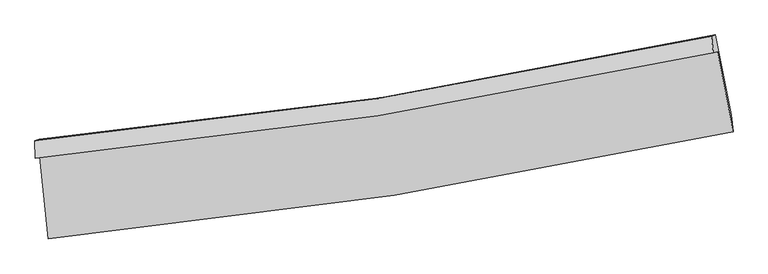
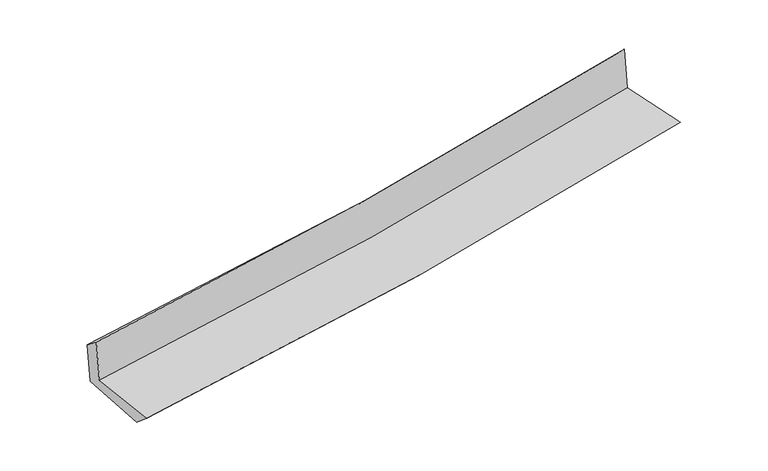
"""IFC4 building model written with IfcOpenShell, lengths in millimetres: proxy geometry."""

from ifc_helpers import new_model, si_unit, frame, origin, place, context, project, spatial, source, transform, mapped, element, save
from ifc_brep_helpers import plane_surface, spline_curve, spline_surface, advanced_brep


def generic_models_8a31b433(model_context):
    return source(origin(), model_context, "Body", "AdvancedBrep", [
        advanced_brep(
        [(-2811.8453976, -1902.7066919, 1641.7807012), (-2742.5001649, -2572.3969466, 1637.763584), (2872.5195773, -1694.8248031, 2136.1509347), (2745.4954837, -1039.325031, 2134.845744), (-2846.7576767, -1912.4523006, 2044.9011145), (2709.7733449, -1049.2342793, 2541.7697123), (-2851.5888784, -1768.0810438, 1932.2015009), (2695.5881955, -911.0381821, 2405.3483175), (-2818.0378907, -1758.6913649, 1544.7716348), (2727.8058045, -902.0780309, 2038.2973983), (-2746.9597125, -2410.4368983, 1500.5560856), (2858.167069, -1555.3640345, 1998.8869785)],
        [
            (0, 1),
            (1, 2, spline_curve(3, [(-2742.5001649, -2572.3969466, 1637.763584), (-1792.395744129, -2482.010787073, 1725.119357868), (-846.616987657, -2363.071816486, 1810.569620893), (1024.952712462, -2069.86427278, 1976.653123906), (1950.847203016, -1896.279195357, 2057.331977496), (2872.5195773, -1694.8248031, 2136.1509347)], [4, 2, 4], [0.0, 9.37136452431217, 18.62988397993038])),
            (2, 3),
            (3, 0, spline_curve(3, [(2745.4954837, -1039.325031, 2134.845744), (1833.458883295, -1239.523062227, 2056.908842858), (917.159981479, -1411.307896135, 1977.111857422), (-935.182445696, -1699.798617762, 1812.802462114), (-1871.330504532, -1815.807670841, 1728.244432997), (-2811.8453976, -1902.7066919, 1641.7807012)], [4, 2, 4], [0.0, 9.25851945561821, 18.62988397993038])),
            (4, 0),
            (3, 5),
            (5, 4, spline_curve(3, [(2709.7733449, -1049.2342793, 2541.7697123), (1797.760066784, -1249.432484357, 2464.47659689), (881.539570467, -1421.203933797, 2384.690318983), (-970.534254706, -1709.640441716, 2219.128598157), (-1906.490765319, -1825.608332613, 2133.292009835), (-2846.7576767, -1912.4523006, 2044.9011145)], [4, 2, 4], [0.0, 9.209817009095516, 18.53188548971757])),
            (6, 4),
            (5, 7),
            (7, 6, spline_curve(3, [(2695.5881955, -911.0381821, 2405.3483175), (1785.637245127, -1111.664704305, 2327.845019783), (871.224239802, -1283.143228336, 2249.905954165), (-977.725352918, -1569.539037844, 2092.201035857), (-1912.371371967, -1683.741468035, 2012.424495905), (-2851.5888784, -1768.0810438, 1932.2015009)], [4, 2, 4], [0.0, 9.199586946609971, 18.511300678276957])),
            (8, 6),
            (7, 9),
            (9, 8, spline_curve(3, [(2727.8058045, -902.0780309, 2038.2973983), (1818.072139343, -1102.638289397, 1957.510254488), (903.878207461, -1274.048118956, 1876.24158564), (-944.62696966, -1560.30081254, 1711.744807077), (-1879.047602489, -1674.428760611, 1628.504888075), (-2818.0378907, -1758.6913649, 1544.7716348)], [4, 2, 4], [0.0, 9.190085862331394, 18.49218270821253])),
            (10, 8),
            (9, 11),
            (11, 10, spline_curve(3, [(2858.167069, -1555.3640345, 1998.8869785), (1938.523864362, -1756.134227965, 1917.347116261), (1014.464560085, -1927.522838859, 1835.304217407), (-853.802728489, -2213.267711059, 1669.206256617), (-1798.119018435, -2326.903388124, 1585.138857975), (-2746.9597125, -2410.4368983, 1500.5560856)], [4, 2, 4], [0.0, 9.238152209983033, 18.588901247756738])),
            (1, 10),
            (11, 2),
        ],
        [
            spline_surface(3, 3, [[(-2811.8453976, -1902.7066919, 1641.7807012), (-1871.330504631, -1815.807670816, 1728.244433046), (-935.182445781, -1699.798617769, 1812.802461966), (917.159981562, -1411.307896128, 1977.111857569), (1833.458883154, -1239.523062204, 2056.908842971), (2745.4954837, -1039.325031, 2134.845744)], [(-2788.730320019, -2125.936776795, 1640.441662114), (-1845.018917813, -2037.875376214, 1727.202741285), (-905.66062634, -1920.889684011, 1812.058181652), (953.090891834, -1630.826688326, 1976.95894635), (1872.588323123, -1458.441773272, 2057.049887864), (2787.836848242, -1257.824955032, 2135.280807591)], [(-2765.615242481, -2349.166861705, 1639.102623086), (-1818.707331038, -2259.943081629, 1726.161049582), (-876.138806956, -2141.980750277, 1811.31390127), (989.021802049, -1850.345480549, 1976.806035061), (1911.717763064, -1677.360484343, 2057.190932682), (2830.178212758, -1476.324879068, 2135.715871109)], [(-2742.5001649, -2572.3969466, 1637.763584), (-1792.39574422, -2482.010787027, 1725.119357821), (-846.616987514, -2363.071816519, 1810.569620957), (1024.952712321, -2069.864272747, 1976.653123842), (1950.847203033, -1896.279195411, 2057.331977575), (2872.5195773, -1694.8248031, 2136.1509347)]], [4, 4], [4, 2, 4], [0.0, 2.192191138060232], [0.0, 9.37136452431217, 18.62988397993038]),
            spline_surface(3, 3, [[(-2846.7576767, -1912.4523006, 2044.9011145), (-1906.490765343, -1825.608332484, 2133.292009777), (-970.534254625, -1709.640441562, 2219.128598043), (881.539570387, -1421.203933949, 2384.690319097), (1797.760066878, -1249.432484405, 2464.476596746), (2709.7733449, -1049.2342793, 2541.7697123)], [(-2835.120250325, -1909.203764375, 1910.527643432), (-1894.77067843, -1822.341445269, 1998.276150899), (-958.750318335, -1706.359833652, 2083.686552672), (893.413040788, -1417.905254696, 2248.830831909), (1809.659672312, -1246.129343665, 2328.620678816), (2721.680724509, -1045.931196527, 2406.128389529)], [(-2823.482823975, -1905.955228125, 1776.154172268), (-1883.050591543, -1819.07455803, 1863.260291924), (-946.966382071, -1703.079225679, 1948.244507336), (905.286511162, -1414.606575381, 2112.971344756), (1821.55927772, -1242.826202944, 2192.764760901), (2733.588104091, -1042.628113773, 2270.487066771)], [(-2811.8453976, -1902.7066919, 1641.7807012), (-1871.330504631, -1815.807670816, 1728.244433046), (-935.182445781, -1699.798617769, 1812.802461966), (917.159981562, -1411.307896128, 1977.111857569), (1833.458883154, -1239.523062204, 2056.908842971), (2745.4954837, -1039.325031, 2134.845744)]], [4, 4], [4, 2, 4], [0.0, 1.3405773553549212], [0.0, 9.322068480622054, 18.53188548971757]),
            spline_surface(3, 3, [[(-2851.5888784, -1768.0810438, 1932.2015009), (-1912.371371945, -1683.7414679, 2012.424495937), (-977.72535285, -1569.539037889, 2092.201035856), (871.224239734, -1283.143228291, 2249.905954166), (1785.637245241, -1111.664704392, 2327.845019782), (2695.5881955, -911.0381821, 2405.3483175)], [(-2849.978477825, -1816.204796052, 1969.768038763), (-1910.411169736, -1731.030422746, 2052.713667214), (-975.328320111, -1616.239505787, 2134.510223258), (874.662683282, -1329.163463518, 2294.834075816), (1789.678185774, -1157.587297726, 2373.388878776), (2700.316578621, -957.10354783, 2450.822115773)], [(-2848.368077275, -1864.328548348, 2007.334576637), (-1908.450967552, -1778.319377637, 2093.002838501), (-972.931287364, -1662.939973663, 2176.819410641), (878.101126839, -1375.183698723, 2339.762197447), (1793.719126344, -1203.509891071, 2418.932737751), (2705.044961779, -1003.16891357, 2496.295914027)], [(-2846.7576767, -1912.4523006, 2044.9011145), (-1906.490765343, -1825.608332484, 2133.292009777), (-970.534254625, -1709.640441562, 2219.128598043), (881.539570387, -1421.203933949, 2384.690319097), (1797.760066878, -1249.432484405, 2464.476596746), (2709.7733449, -1049.2342793, 2541.7697123)]], [4, 4], [4, 2, 4], [0.0, 0.6270959604631019], [0.0, 9.311713731666986, 18.511300678276957]),
            spline_surface(3, 3, [[(-2818.0378907, -1758.6913649, 1544.7716348), (-1879.047602551, -1674.428760756, 1628.504888093), (-944.626969514, -1560.300812396, 1711.744807154), (903.878207317, -1274.048119099, 1876.241585564), (1818.072139407, -1102.638289432, 1957.510254354), (2727.8058045, -902.0780309, 2038.2973983)], [(-2829.221553297, -1761.821257874, 1673.914923477), (-1890.155525713, -1677.532996478, 1756.478090685), (-955.659763985, -1563.380220894, 1838.563550052), (892.99355143, -1277.079822163, 2000.796375096), (1807.260508035, -1105.647094419, 2080.955176148), (2717.066601516, -905.064747966, 2160.647704684)], [(-2840.405215803, -1764.951150826, 1803.058212223), (-1901.263448783, -1680.637232177, 1884.451293346), (-966.692558379, -1566.459629391, 1965.382292958), (882.108895621, -1280.111525227, 2125.351164635), (1796.448876613, -1108.655899406, 2204.400097988), (2706.327398484, -908.051465034, 2282.998011116)], [(-2851.5888784, -1768.0810438, 1932.2015009), (-1912.371371945, -1683.7414679, 2012.424495937), (-977.72535285, -1569.539037889, 2092.201035856), (871.224239734, -1283.143228291, 2249.905954166), (1785.637245241, -1111.664704392, 2327.845019782), (2695.5881955, -911.0381821, 2405.3483175)]], [4, 4], [4, 2, 4], [0.0, 1.242267237249871], [0.0, 9.302096845881135, 18.49218270821253]),
            spline_surface(3, 3, [[(-2746.9597125, -2410.4368983, 1500.5560856), (-1798.119018436, -2326.903388226, 1585.13885795), (-853.802728625, -2213.267711119, 1669.206256694), (1014.464560219, -1927.522838799, 1835.304217331), (1938.523864235, -1756.134228018, 1917.347116233), (2858.167069, -1555.3640345, 1998.8869785)], [(-2770.65243856, -2193.188387151, 1515.294602012), (-1825.095213134, -2109.41184572, 1599.594201343), (-884.077475577, -1995.612078189, 1683.385773501), (977.602442596, -1709.69793221, 1848.950006729), (1898.373289266, -1538.30224851, 1930.73482895), (2814.71331414, -1337.602033321, 2012.02378511)], [(-2794.34516464, -1975.939876049, 1530.033118388), (-1852.071407853, -1891.920303261, 1614.0495447), (-914.352222562, -1777.956445326, 1697.565290347), (940.74032494, -1491.873025688, 1862.595796166), (1858.222714377, -1320.47026894, 1944.122541637), (2771.25955936, -1119.840032079, 2025.16059169)], [(-2818.0378907, -1758.6913649, 1544.7716348), (-1879.047602551, -1674.428760756, 1628.504888093), (-944.626969514, -1560.300812396, 1711.744807154), (903.878207317, -1274.048119099, 1876.241585564), (1818.072139407, -1102.638289432, 1957.510254354), (2727.8058045, -902.0780309, 2038.2973983)]], [4, 4], [4, 2, 4], [0.0, 2.1726833120889264], [0.0, 9.350749037773705, 18.588901247756738]),
            spline_surface(3, 3, [[(-2742.5001649, -2572.3969466, 1637.763584), (-1792.39574422, -2482.010787027, 1725.119357821), (-846.616987514, -2363.071816519, 1810.569620957), (1024.952712321, -2069.864272747, 1976.653123842), (1950.847203033, -1896.279195411, 2057.331977575), (2872.5195773, -1694.8248031, 2136.1509347)], [(-2743.986680774, -2518.410263853, 1592.027751202), (-1794.303502299, -2430.30832078, 1678.459191199), (-849.012234561, -2313.137114721, 1763.448499533), (1021.45666161, -2022.4171281, 1929.536821668), (1946.739423438, -1849.564206271, 2010.670357107), (2867.735407872, -1648.337880224, 2090.396282612)], [(-2745.473196626, -2464.423581047, 1546.291918398), (-1796.211260357, -2378.605854473, 1631.799024572), (-851.407481578, -2263.202412917, 1716.327378118), (1017.96061093, -1974.969983446, 1882.420519504), (1942.631643829, -1802.849217158, 1964.008736701), (2862.951238428, -1601.850957376, 2044.641630588)], [(-2746.9597125, -2410.4368983, 1500.5560856), (-1798.119018436, -2326.903388226, 1585.13885795), (-853.802728625, -2213.267711119, 1669.206256694), (1014.464560219, -1927.522838799, 1835.304217331), (1938.523864235, -1756.134228018, 1917.347116233), (2858.167069, -1555.3640345, 1998.8869785)]], [4, 4], [4, 2, 4], [0.0, 0.6676310806440888], [0.0, 9.40965671687049, 18.706007270497928]),
            plane_surface(frame((2768.2249125, -1191.9773935, 2209.2165142), z_axis=(0.9776797408867646, 0.1896368776266753, 0.09044434146807949), x_axis=(-0.08741220162782182, -0.024310511199589598, 0.9958755474715663))),
            plane_surface(frame((-2802.9482868, -2054.127541, 1716.9957702), z_axis=(-0.9908521506005816, -0.10207142714670095, -0.08828045882548537), x_axis=(-0.10299567568171869, 0.9946639091272594, 0.005966462146468798))),
        ],
        [
            (0, [[1, 2, 3, 4]]),
            (1, [[5, -4, 6, 7]]),
            (2, [[8, -7, 9, 10]]),
            (3, [[11, -10, 12, 13]]),
            (4, [[14, -13, 15, 16]]),
            (5, [[17, -16, 18, -2]]),
            (6, [[-12, -9, -6, -3, -18, -15]]),
            (7, [[-1, -5, -8, -11, -14, -17]]),
        ],
    ),
    ])


if __name__ == "__main__":
    model = new_model("IFC4")
    model_context = context("Model", 3, world=origin())
    ifc_project = project(units=[si_unit("LENGTHUNIT", "METRE", prefix="MILLI")], contexts=[model_context])
    site = spatial("IfcSite", under=ifc_project)
    building = spatial("IfcBuilding", under=site)
    placement = place(None, origin())
    generic_models_shape = generic_models_8a31b433(model_context)
    element("IfcBuildingElementProxy", 1, Name="Generic Models", at=placement, inside=building, context=model_context, shape_type="MappedRepresentation", body=[
        mapped(generic_models_shape, transform((0.0, 0.0, 0.0), x_axis=(1.0, 0.0, 0.0), y_axis=(0.0, 1.0, 0.0), z_axis=(0.0, 0.0, 1.0))),
    ])
    save(model, "model.ifc")
